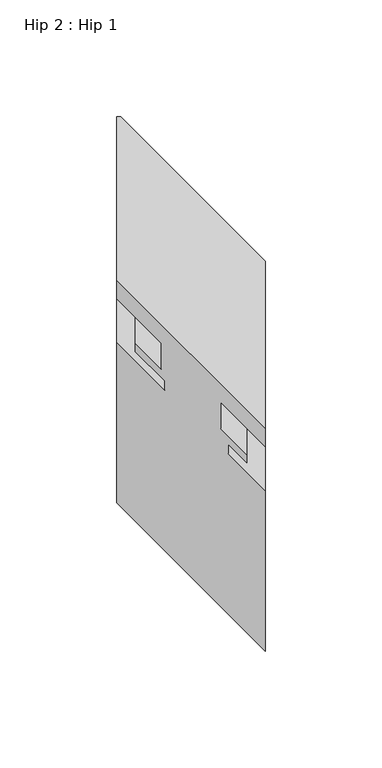
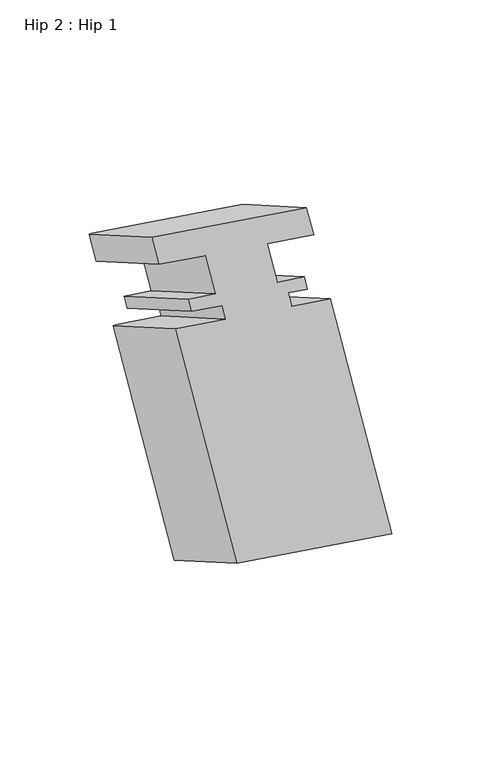
"""IFC4 building model written with IfcOpenShell, lengths in millimetres: proxy geometry, Hip 2 : Hip 1."""

from ifc_helpers import new_model, si_unit, origin, place, context, project, spatial, faceted_brep, source, transform, mapped, element, save


def hip_2_hip_1_a0138817(model_context):
    return source(origin(), model_context, "Body", "Brep", [
        faceted_brep([(11691.7835356, 14576.1098904, 949.4438947), (11690.0304414, 14576.1098904, 949.4438947), (11690.0304414, 14506.244337, 989.7807908), (11753.5304414, 14442.744337, 1026.4425329), (11753.5304414, 14514.3629846, 985.0934874), (11690.0304414, 14568.1723904, 935.6957415), (11690.0304414, 14498.306837, 976.0326375), (11691.7835356, 14568.1723904, 935.6957415), (11709.0804414, 14550.8754846, 945.6821147), (11709.0804414, 14479.256837, 987.0311601), (11709.0804414, 14539.6359846, 926.2147296), (11709.0804414, 14468.017337, 967.5637751), (11697.9552414, 14550.7611846, 919.7915924), (11697.9552414, 14479.142537, 961.1406379), (11697.9552414, 14547.1797846, 913.5884256), (11697.9552414, 14475.561137, 954.9374711), (11710.4938521, 14534.6411739, 920.8275959), (11710.4938521, 14463.0225263, 962.1766413), (11710.4938521, 14530.6914739, 913.9865148), (11710.4938521, 14459.0728263, 955.3355603), (11691.7835356, 14549.4017904, 903.1841086), (11690.0304414, 14549.4017904, 903.1841086), (11690.0304414, 14479.536237, 943.5210046), (11690.0304414, 14480.7328904, 784.2460849), (11690.0304414, 14410.867337, 824.5829809), (11691.7835356, 14480.7328904, 784.2460849), (11753.5304414, 14418.9859846, 819.8956775), (11753.5304414, 14347.367337, 861.244723), (11753.5304414, 14487.6548846, 938.8337012), (11753.5304414, 14416.036237, 980.1827467), (11737.6554414, 14503.5298846, 929.6682657), (11737.6554414, 14431.911237, 971.0173112), (11737.6554414, 14507.4795846, 936.5093468), (11737.6554414, 14435.860937, 977.8583923), (11745.6056414, 14499.5293846, 941.0993969), (11745.6056414, 14427.910737, 982.4484424), (11745.6056414, 14503.1107846, 947.3025637), (11745.6056414, 14431.492137, 988.6516091), (11734.4804414, 14514.2359846, 940.8794265), (11734.4804414, 14442.617337, 982.2284719), (11734.4804414, 14525.4754846, 960.3468115), (11734.4804414, 14453.856837, 1001.695857), (11753.5304414, 14506.4254846, 971.3453341), (11753.5304414, 14434.806837, 1012.6943796)], [[[0, 1, 2, 3, 4]], [[1, 5, 6, 2]], [[5, 7, 8, 9, 6]], [[9, 8, 10, 11]], [[11, 10, 12, 13]], [[13, 12, 14, 15]], [[15, 14, 16, 17]], [[17, 16, 18, 19]], [[20, 21, 22, 19, 18]], [[21, 23, 24, 22]], [[23, 25, 26, 27, 24]], [[27, 26, 28, 29]], [[29, 28, 30, 31]], [[31, 30, 32, 33]], [[33, 32, 34, 35]], [[35, 34, 36, 37]], [[37, 36, 38, 39]], [[39, 38, 40, 41]], [[41, 40, 42, 43]], [[43, 42, 4, 3]], [[25, 20, 18, 16, 14, 12, 10, 8, 7, 0, 4, 42, 40, 38, 36, 34, 32, 30, 28, 26]], [[3, 2, 6, 9, 11, 13, 15, 17, 19, 22, 24, 27, 29, 31, 33, 35, 37, 39, 41, 43]], [[5, 1, 0, 7]], [[23, 21, 20, 25]]]),
    ])


if __name__ == "__main__":
    model = new_model("IFC4")
    model_context = context("Model", 3, world=origin())
    ifc_project = project(units=[si_unit("LENGTHUNIT", "METRE", prefix="MILLI")], contexts=[model_context])
    site = spatial("IfcSite", under=ifc_project)
    building = spatial("IfcBuilding", under=site)
    placement = place(None, origin())
    hip_2_hip_1_shape = hip_2_hip_1_a0138817(model_context)
    element("IfcBuildingElementProxy", 1, Name="Hip 2 : Hip 1", ObjectType="Hip 2 : Hip 1", at=placement, inside=building, context=model_context, shape_type="MappedRepresentation", body=[
        mapped(hip_2_hip_1_shape, transform((0.0, 0.0, 0.0), x_axis=(1.0, 0.0, 0.0), y_axis=(0.0, 1.0, 0.0), z_axis=(0.0, 0.0, 1.0))),
    ])
    save(model, "model.ifc")
